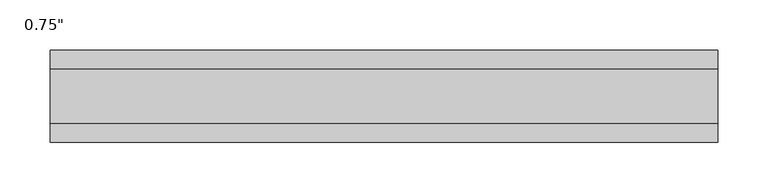
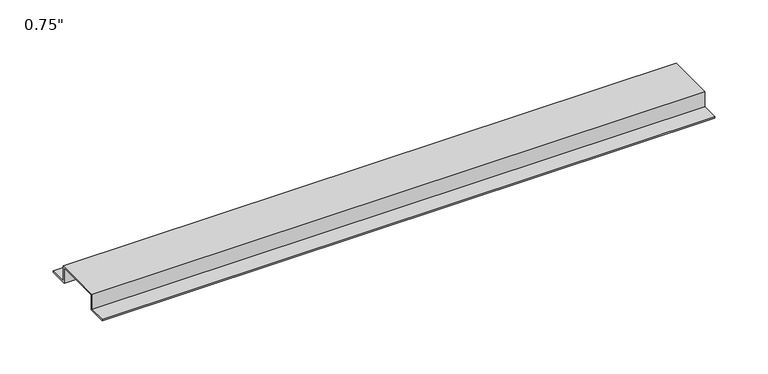
"""IFC4 building model written with IfcOpenShell, lengths in millimetres: proxy geometry."""

import ifcopenshell
import ifcopenshell.guid

model = None  # the IFC model being written
_history = None  # IfcOwnerHistory: only IFC2X3 demands one
_inside = {}  # id of a spatial element -> (the spatial element, [elements in it])
_under = {}  # id of a project, library or spatial element -> (it, [spatial elements below it])
_declared = {}  # id of a project -> (the project, [libraries it declares])
_typed = {}  # id of a type object -> (the type object, [elements of that type])
_made_of = {}  # id of a material, layer set ... -> (it, [elements and type objects made of it])


def new_model(schema):
    """Start an empty IFC model of exactly this schema.

    Asked for "IFC4X3", IfcOpenShell would pick the latest addendum, in which some entities
    have other attributes; the version numbers below select the first issue.
    IFC2X3 requires an IfcOwnerHistory on every rooted entity: one is made here for all.
    """
    global model, _history
    if schema == "IFC4X3":
        model = ifcopenshell.file(schema_version=(4, 3, 0, 0))
    else:
        model = ifcopenshell.file(schema=schema)
    _inside.clear()
    _under.clear()
    _declared.clear()
    _typed.clear()
    _made_of.clear()
    _history = None
    if model.schema == "IFC2X3":
        org = make("IfcOrganization", Name="unknown")
        user = make(
            "IfcPersonAndOrganization",
            ThePerson=make("IfcPerson", FamilyName="unknown"),
            TheOrganization=org,
        )
        app = make(
            "IfcApplication",
            ApplicationDeveloper=org,
            Version="unknown",
            ApplicationFullName="unknown",
            ApplicationIdentifier="unknown",
        )
        _history = make(
            "IfcOwnerHistory",
            OwningUser=user,
            OwningApplication=app,
            ChangeAction="ADDED",
            CreationDate=0,
        )
    return model


def make(cls, **values):
    """One entity of the class cls with the attributes given. An attribute that is None is left unset."""
    return model.create_entity(
        cls, **{name: value for name, value in values.items() if value is not None}
    )


def rooted(cls, **values):
    """An entity with a GlobalId (a new one), such as an element, a storey or a relation."""
    return make(cls, GlobalId=ifcopenshell.guid.new(), OwnerHistory=_history, **values)


def si_unit(unit_type, name, prefix=None):
    """IfcSIUnit, for example si_unit("LENGTHUNIT", "METRE", prefix="MILLI")."""
    return make("IfcSIUnit", UnitType=unit_type, Prefix=prefix, Name=name)


def assignment(units):
    """IfcUnitAssignment: the units of a project."""
    return None if units is None else make("IfcUnitAssignment", Units=units)


def point(xyz):
    """IfcCartesianPoint."""
    return None if xyz is None else make("IfcCartesianPoint", Coordinates=xyz)


def direction(xyz):
    """IfcDirection."""
    return None if xyz is None else make("IfcDirection", DirectionRatios=xyz)


def frame(location, z_axis=None, x_axis=None):
    """IfcAxis2Placement3D, a coordinate frame: its origin and axes. An axis left out is left unset."""
    return make(
        "IfcAxis2Placement3D",
        Location=point(location),
        Axis=direction(z_axis),
        RefDirection=direction(x_axis),
    )


def origin():
    """The frame at (0, 0, 0) with its axes left unset."""
    return frame((0.0, 0.0, 0.0))


def place(relative_to, where):
    """IfcLocalPlacement: puts the frame where relative to a parent placement (None: the world)."""
    return make(
        "IfcLocalPlacement", PlacementRelTo=relative_to, RelativePlacement=where
    )


def context(
    kind, dimensions, precision=None, world=None, true_north=None, identifier=None
):
    """IfcGeometricRepresentationContext, for example the 3D "Model" context."""
    return make(
        "IfcGeometricRepresentationContext",
        ContextIdentifier=identifier,
        ContextType=kind,
        CoordinateSpaceDimension=dimensions,
        Precision=precision,
        WorldCoordinateSystem=world,
        TrueNorth=true_north,
    )


def project(units=None, contexts=None):
    """IfcProject with its units and contexts."""
    return rooted(
        "IfcProject",
        Name="project",
        RepresentationContexts=contexts,
        UnitsInContext=assignment(units),
    )


def spatial(cls, under=None, at=None, **own):
    """A site, building, storey or space (cls), placed at a placement, below another one or the project."""
    s = rooted(cls, ObjectPlacement=at, **own)
    if under is not None:
        _under.setdefault(under.id(), (under, []))[1].append(s)
    return s


def polyline(points):
    """IfcPolyline through the points."""
    return make("IfcPolyline", Points=[point(p) for p in points])


def outline(outer, holes=None, kind="AREA"):
    """IfcArbitraryClosedProfileDef: a profile drawn as a closed curve; with holes, ...WithVoids."""
    if holes is None:
        return make("IfcArbitraryClosedProfileDef", ProfileType=kind, OuterCurve=outer)
    return make(
        "IfcArbitraryProfileDefWithVoids",
        ProfileType=kind,
        OuterCurve=outer,
        InnerCurves=holes,
    )


def extrude(swept, where, along, depth):
    """IfcExtrudedAreaSolid: the profile swept, set in the frame where, extruded along a direction by depth."""
    return make(
        "IfcExtrudedAreaSolid",
        SweptArea=swept,
        Position=where,
        ExtrudedDirection=direction(along),
        Depth=depth,
    )


def shape(context_of_items, identifier, shape_type, items):
    """IfcShapeRepresentation: the items that make up one representation, for example the "Body"."""
    return make(
        "IfcShapeRepresentation",
        ContextOfItems=context_of_items,
        RepresentationIdentifier=identifier,
        RepresentationType=shape_type,
        Items=items,
    )


def source(mapping_origin, context_of_items, identifier, shape_type, items):
    """IfcRepresentationMap: a shape defined once, which mapped items show again and again."""
    return make(
        "IfcRepresentationMap",
        MappingOrigin=mapping_origin,
        MappedRepresentation=shape(context_of_items, identifier, shape_type, items),
    )


def transform(
    local_origin,
    x_axis=None,
    y_axis=None,
    z_axis=None,
    scale=None,
    scale2=None,
    scale3=None,
    uniform=True,
):
    """IfcCartesianTransformationOperator3D, or its non-uniform kind. x_axis, y_axis, z_axis: its Axis1, 2, 3."""
    if uniform:
        return make(
            "IfcCartesianTransformationOperator3D",
            Axis1=direction(x_axis),
            Axis2=direction(y_axis),
            LocalOrigin=point(local_origin),
            Scale=scale,
            Axis3=direction(z_axis),
        )
    return make(
        "IfcCartesianTransformationOperator3DnonUniform",
        Axis1=direction(x_axis),
        Axis2=direction(y_axis),
        LocalOrigin=point(local_origin),
        Scale=scale,
        Axis3=direction(z_axis),
        Scale2=scale2,
        Scale3=scale3,
    )


def mapped(mapping_source, mapping_target):
    """IfcMappedItem: shows the shape of a source again, moved by a transform."""
    return make(
        "IfcMappedItem", MappingSource=mapping_source, MappingTarget=mapping_target
    )


def made_of(thing, what):
    """Note that an element or type object is made of a material, layer set ...; save() writes the relation."""
    if what is not None:
        _made_of.setdefault(what.id(), (what, []))[1].append(thing)
    return thing


def element(
    cls,
    number,
    at=None,
    inside=None,
    cuts=None,
    type_object=None,
    material=None,
    context=None,
    identifier="Body",
    shape_type=None,
    held_by="IfcProductDefinitionShape",
    body=None,
    shapes=None,
    **own,
):
    """One element of the class cls, such as IfcWall. Its Tag is "e" and its number.

    at: its placement. inside: the storey or other place that contains it. cuts: it is an
    opening in that element (IfcRelVoidsElement). A single representation is given by context,
    identifier, shape_type and body (its items); several are given by shapes. held_by: the class
    of the entity that holds the representations. save() writes the other relations.
    """
    e = rooted(cls, Tag="e%d" % number, ObjectPlacement=at, **own)
    if body is not None:
        shapes = [shape(context, identifier, shape_type, body)]
    if shapes is not None:
        e.Representation = make(held_by, Representations=shapes)
    if inside is not None:
        _inside.setdefault(inside.id(), (inside, []))[1].append(e)
    if cuts is not None:
        rooted(
            "IfcRelVoidsElement", RelatingBuildingElement=cuts, RelatedOpeningElement=e
        )
    if type_object is not None:
        _typed.setdefault(type_object.id(), (type_object, []))[1].append(e)
    return made_of(e, material)


def aggregate(whole, parts):
    """IfcRelAggregates: a whole, such as a stair, and the parts it consists of."""
    return rooted("IfcRelAggregates", RelatingObject=whole, RelatedObjects=parts)


def save(model, path):
    """Write the relations noted so far, then the file.

    IfcRelAggregates (storeys below a building ...), IfcRelContainedInSpatialStructure (elements
    in a storey), IfcRelDefinesByType, IfcRelAssociatesMaterial and IfcRelDeclares: one each for
    every whole, place, type object, material and project.
    """
    for whole, parts in _under.values():
        aggregate(whole, parts)
    for where, things in _inside.values():
        rooted(
            "IfcRelContainedInSpatialStructure",
            RelatedElements=things,
            RelatingStructure=where,
        )
    for kind, things in _typed.values():
        rooted("IfcRelDefinesByType", RelatedObjects=things, RelatingType=kind)
    for what, things in _made_of.values():
        rooted("IfcRelAssociatesMaterial", RelatedObjects=things, RelatingMaterial=what)
    for by, libraries in _declared.values():
        rooted("IfcRelDeclares", RelatingContext=by, RelatedDefinitions=libraries)
    model.write(path)


def proxy_77a99882(model_context):
    return source(origin(), model_context, "Body", "SweptSolid", [
        extrude(outline(polyline([(46.0559645, -17.4625), (25.4, -17.4625), (25.4, 0.0), (-25.4, 0.0), (-25.4, -17.4625), (-46.0559645, -17.4625), (-46.0559645, -15.8492), (-27.0129, -15.8492), (-27.0129, 1.6129), (27.0129, 1.6129), (27.0129, -15.8492), (46.0559645, -15.8492), (46.0559645, -17.4625)])), frame((0.0, 0.0, 0.0), z_axis=(1.0, 0.0, 0.0), x_axis=(0.0, 1.0, 0.0)), (0.0, 0.0, 1.0), 666.237708),
    ])


if __name__ == "__main__":
    model = new_model("IFC4")
    model_context = context("Model", 3, world=origin())
    ifc_project = project(units=[si_unit("LENGTHUNIT", "METRE", prefix="MILLI")], contexts=[model_context])
    site = spatial("IfcSite", under=ifc_project)
    building = spatial("IfcBuilding", under=site)
    placement = place(None, origin())
    proxy_shape = proxy_77a99882(model_context)
    element("IfcBuildingElementProxy", 1, Name="0.75\"", ObjectType="0.75\"", at=placement, inside=building, context=model_context, shape_type="MappedRepresentation", body=[
        mapped(proxy_shape, transform((0.0, 0.0, 0.0), x_axis=(1.0, 0.0, 0.0), y_axis=(0.0, 1.0, 0.0), z_axis=(0.0, 0.0, 1.0))),
    ])
    save(model, "model.ifc")
